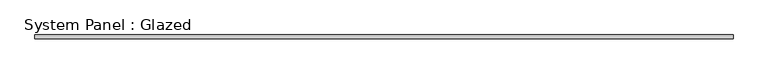
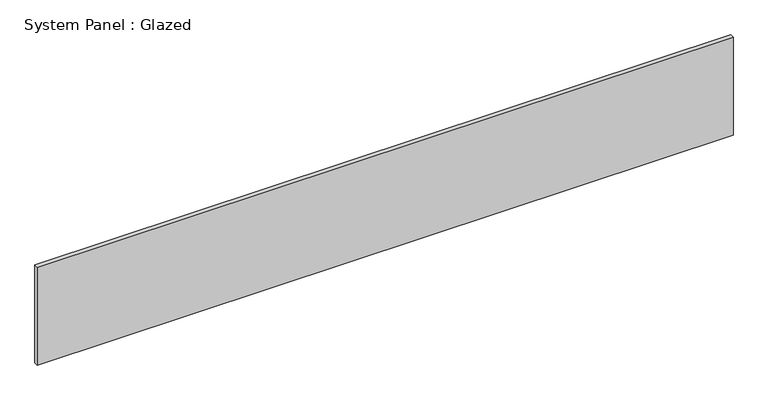
"""IFC4 building model written with IfcOpenShell, lengths in millimetres: plate geometry, System Panel : Glazed."""

from ifc_helpers import new_model, si_unit, origin, origin_with_axes, place, context, project, spatial, polyline, outline, extrude, source, transform, mapped, element, save


def system_panel_glazed_d5c91b15(model_context):
    return source(origin(), model_context, "Body", "SweptSolid", [
        extrude(outline(polyline([(2241.55, 19.05), (-2241.55, 19.05), (-2241.55, 44.45), (2241.55, 44.45), (2241.55, 19.05)])), origin_with_axes(), (0.0, 0.0, 1.0), 666.75),
    ])


if __name__ == "__main__":
    model = new_model("IFC4")
    model_context = context("Model", 3, world=origin())
    ifc_project = project(units=[si_unit("LENGTHUNIT", "METRE", prefix="MILLI")], contexts=[model_context])
    site = spatial("IfcSite", under=ifc_project)
    building = spatial("IfcBuilding", under=site)
    placement = place(None, origin())
    system_panel_glazed_shape = system_panel_glazed_d5c91b15(model_context)
    element("IfcPlate", 1, ObjectType="System Panel : Glazed", at=placement, inside=building, context=model_context, shape_type="MappedRepresentation", body=[
        mapped(system_panel_glazed_shape, transform((0.0, 0.0, 0.0), x_axis=(1.0, 0.0, 0.0), y_axis=(0.0, 1.0, 0.0), z_axis=(0.0, 0.0, 1.0))),
    ])
    save(model, "model.ifc")
